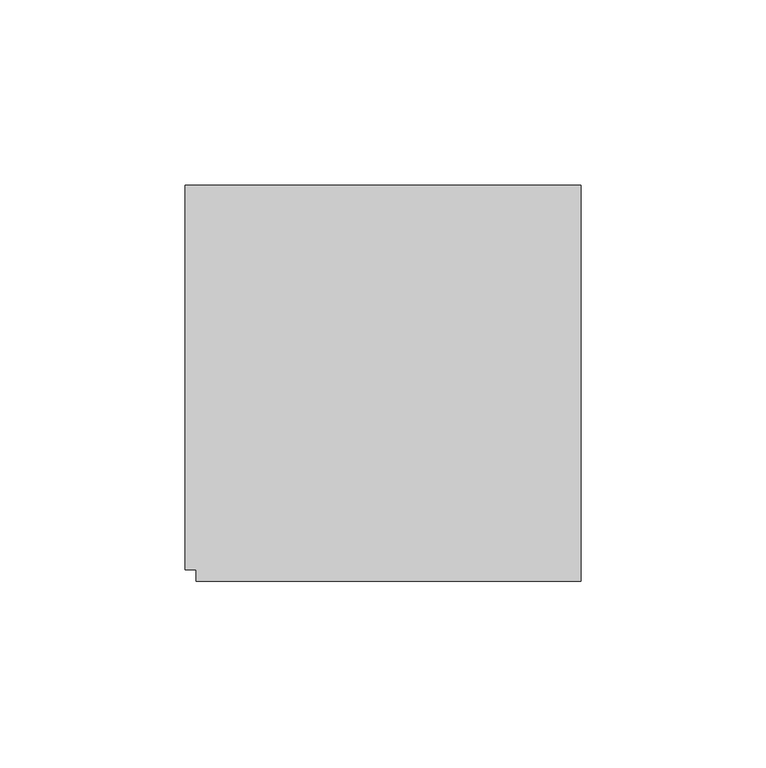
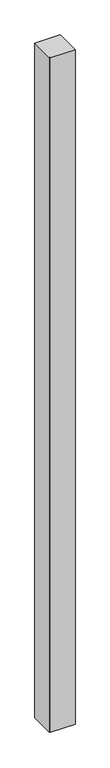
"""IFC4 building model written with IfcOpenShell, lengths in millimetres: member geometry."""

from ifc_helpers import new_model, si_unit, frame, origin, place, context, project, spatial, polyline, outline, extrude, source, transform, mapped, element, save


def member_ebceeaa1(model_context):
    return source(origin(), model_context, "Body", "SweptSolid", [
        extrude(outline(polyline([(-52.0, -55.0), (-52.0, -52.0), (-55.0, -52.0), (-55.0, 52.0), (52.0, 52.0), (52.0, -55.0), (-52.0, -55.0)])), frame((0.0, 0.0, -3000.0), z_axis=(0.0, 0.0, 1.0), x_axis=(1.0, 0.0, 0.0)), (0.0, 0.0, 1.0), 3000.0),
    ])


if __name__ == "__main__":
    model = new_model("IFC4")
    model_context = context("Model", 3, world=origin())
    ifc_project = project(units=[si_unit("LENGTHUNIT", "METRE", prefix="MILLI")], contexts=[model_context])
    site = spatial("IfcSite", under=ifc_project)
    building = spatial("IfcBuilding", under=site)
    placement = place(None, origin())
    member_shape = member_ebceeaa1(model_context)
    element("IfcMember", 1, at=placement, inside=building, context=model_context, shape_type="MappedRepresentation", body=[
        mapped(member_shape, transform((0.0, 0.0, 0.0), x_axis=(1.0, 0.0, 0.0), y_axis=(0.0, 1.0, 0.0), z_axis=(0.0, 0.0, 1.0))),
    ])
    save(model, "model.ifc")
